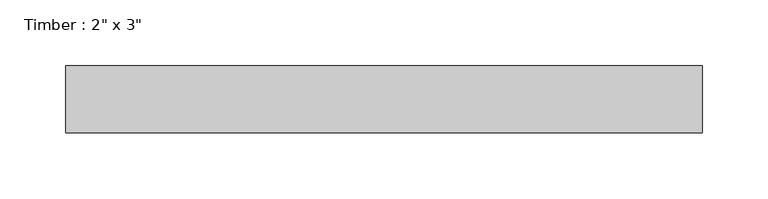
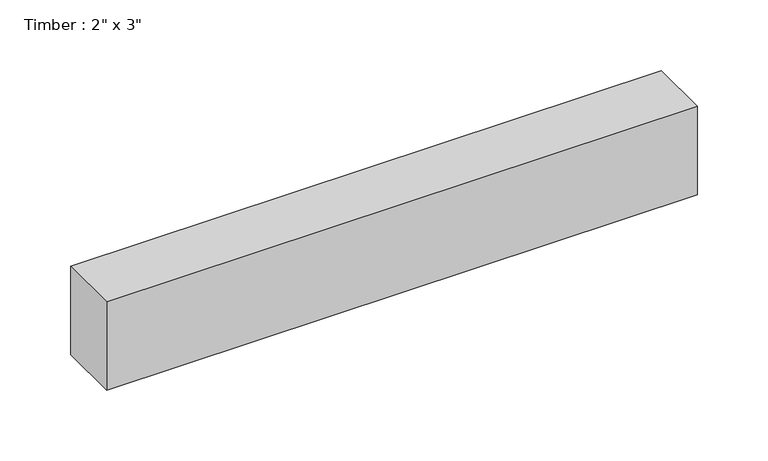
"""IFC4 building model written with IfcOpenShell, lengths in millimetres: beam geometry."""

from ifc_helpers import new_model, si_unit, frame, origin, place, context, project, spatial, polyline, outline, extrude, source, transform, mapped, element, save


def beam_8ba99266(model_context):
    return source(origin(), model_context, "Body", "SweptSolid", [
        extrude(outline(polyline([(241.3010565, 25.4), (241.3010565, -25.4), (-241.3010565, -25.4), (-241.3010565, 25.4), (241.3010565, 25.4)])), frame((0.0, 0.0, -38.1), z_axis=(0.0, 0.0, 1.0), x_axis=(1.0, 0.0, 0.0)), (0.0, 0.0, 1.0), 76.2),
    ])


if __name__ == "__main__":
    model = new_model("IFC4")
    model_context = context("Model", 3, world=origin())
    ifc_project = project(units=[si_unit("LENGTHUNIT", "METRE", prefix="MILLI")], contexts=[model_context])
    site = spatial("IfcSite", under=ifc_project)
    building = spatial("IfcBuilding", under=site)
    placement = place(None, origin())
    beam_shape = beam_8ba99266(model_context)
    element("IfcBeam", 1, ObjectType="Timber : 2\" x 3\"", at=placement, inside=building, context=model_context, shape_type="MappedRepresentation", body=[
        mapped(beam_shape, transform((0.0, 0.0, 0.0), x_axis=(1.0, 0.0, 0.0), y_axis=(0.0, 1.0, 0.0), z_axis=(0.0, 0.0, 1.0))),
    ])
    save(model, "model.ifc")
